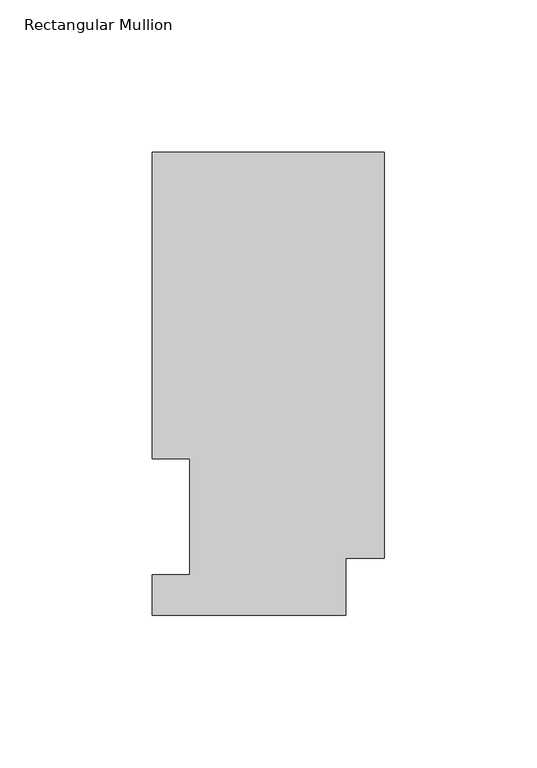
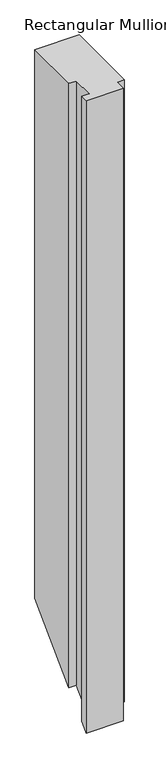
"""IFC4 building model written with IfcOpenShell, lengths in millimetres: member geometry, Rectangular Mullion."""

from ifc_helpers import new_model, si_unit, origin, place, context, project, spatial, faceted_brep, source, transform, mapped, element, save


def rectangular_mullion_09cafd79(model_context):
    return source(origin(), model_context, "Body", "Brep", [
        faceted_brep([(-76.2, 151.9816937, 0.0), (-76.2, 51.2960938, 0.0), (-63.8581605, 51.2960938, 0.0), (-63.8581605, 13.1960938, 0.0), (-76.2, 13.1960938, 0.0), (-76.2, 0.0134937, 0.0), (-12.7, 0.0134937, 0.0), (-12.7, 18.7332937, 0.0), (0.0, 18.7332937, 0.0), (0.0, 151.9816937, 0.0), (-76.2, 151.9816937, -991.0318), (-76.2, 51.2960938, -1091.7174), (-63.8581605, 51.2960938, -1091.7174), (-63.8581605, 13.1960937, -1129.8174), (-76.2, 13.1960938, -1129.8174), (-76.2, 0.0134937, -1143.0), (-12.7, 0.0134937, -1143.0), (-12.7, 18.7332937, -1124.2802), (0.0, 18.7332937, -1124.2802), (0.0, 151.9816937, -991.0318)], [[[0, 1, 2, 3, 4, 5, 6, 7, 8, 9]], [[1, 0, 10, 11]], [[2, 1, 11, 12]], [[3, 2, 12, 13]], [[4, 3, 13, 14]], [[5, 4, 14, 15]], [[6, 5, 15, 16]], [[7, 6, 16, 17]], [[8, 7, 17, 18]], [[9, 8, 18, 19]], [[0, 9, 19, 10]], [[10, 19, 18, 17, 16, 15, 14, 13, 12, 11]]]),
    ])


if __name__ == "__main__":
    model = new_model("IFC4")
    model_context = context("Model", 3, world=origin())
    ifc_project = project(units=[si_unit("LENGTHUNIT", "METRE", prefix="MILLI")], contexts=[model_context])
    site = spatial("IfcSite", under=ifc_project)
    building = spatial("IfcBuilding", under=site)
    placement = place(None, origin())
    rectangular_mullion_shape = rectangular_mullion_09cafd79(model_context)
    element("IfcMember", 1, ObjectType="Rectangular Mullion", at=placement, inside=building, context=model_context, shape_type="MappedRepresentation", body=[
        mapped(rectangular_mullion_shape, transform((0.0, 0.0, 0.0), x_axis=(1.0, 0.0, 0.0), y_axis=(0.0, 1.0, 0.0), z_axis=(0.0, 0.0, 1.0))),
    ])
    save(model, "model.ifc")
